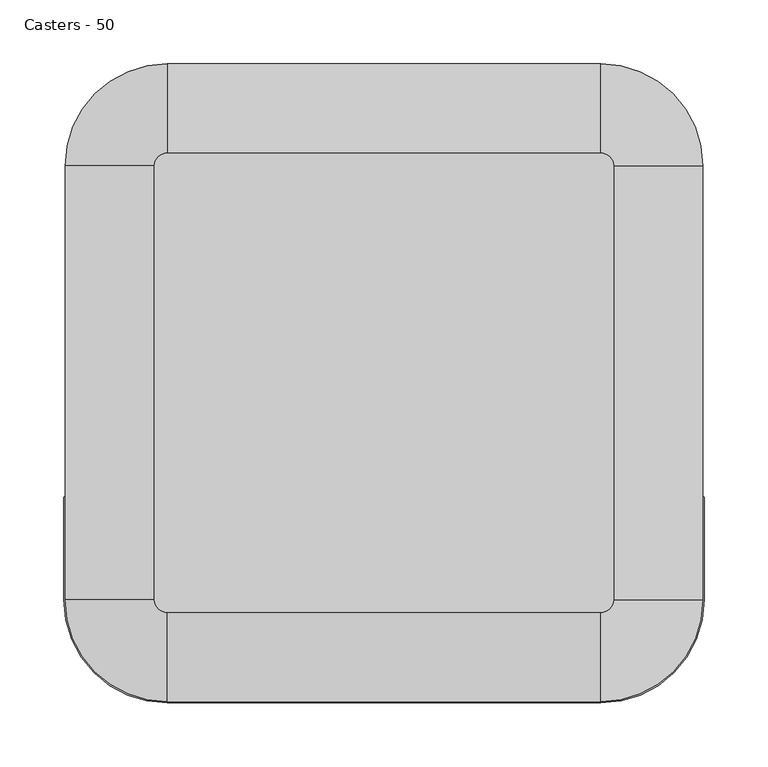
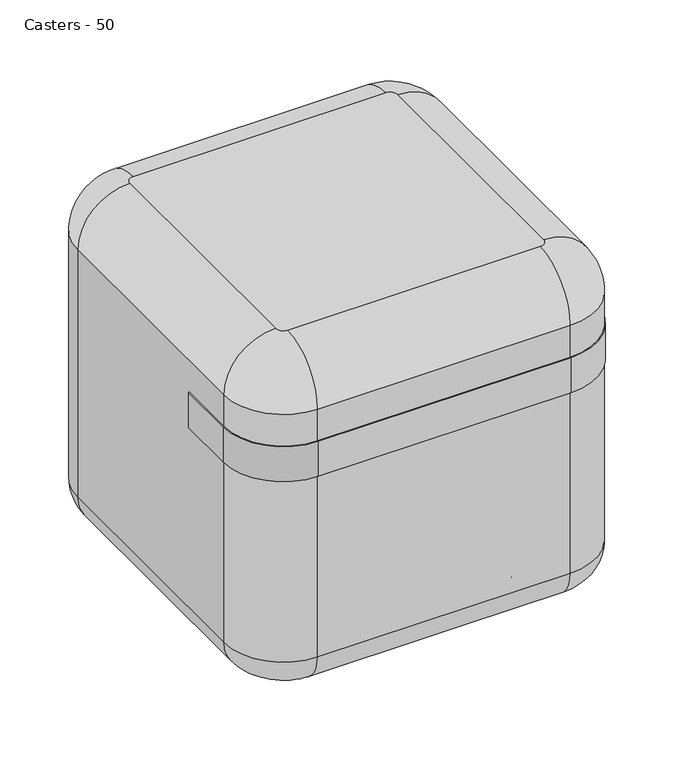
"""IFC4 building model written with IfcOpenShell, lengths in millimetres: furniture geometry, Casters - 50."""

from ifc_helpers import new_model, si_unit, point, frame, frame_2d, origin, place, context, project, spatial, polyline, circle_curve, ellipse_curve, trimmed, segment, composite_curve, outline, extrude, source, transform, mapped, element, save
from ifc_brep_helpers import plane_surface, cylinder_surface, revolved_surface, advanced_brep


def casters_50_8e6555ce(model_context):
    return source(origin(), model_context, "Body", "SolidModel", [
        extrude(outline(composite_curve([segment(trimmed(circle_curve(frame_2d((80.0, 80.0)), 80.0), [point((0.0, 80.0))], [point((80.0, 0.0))], True, "CARTESIAN"), True, "CONTINUOUS"), segment(polyline([(80.0, 0.0), (420.0, 0.0)]), True, "CONTINUOUS"), segment(trimmed(circle_curve(frame_2d((420.0, 80.0)), 80.0), [point((420.0, 0.0))], [point((500.0, 80.0))], True, "CARTESIAN"), True, "CONTINUOUS"), segment(polyline([(500.0, 80.0), (500.0, 160.0)]), True, "CONTINUOUS"), segment(trimmed(circle_curve(frame_2d((500.5, 160.0)), 0.5), [point((500.0, 160.0))], [point((501.0, 160.0))], False, "CARTESIAN"), True, "CONTINUOUS"), segment(polyline([(501.0, 160.0), (501.0, 80.0)]), True, "CONTINUOUS"), segment(trimmed(circle_curve(frame_2d((420.0, 80.0)), 81.0), [point((501.0, 80.0))], [point((420.0, -1.0))], False, "CARTESIAN"), True, "CONTINUOUS"), segment(polyline([(420.0, -1.0), (80.0, -1.0)]), True, "CONTINUOUS"), segment(trimmed(circle_curve(frame_2d((80.0, 80.0)), 81.0), [point((80.0, -1.0))], [point((-1.0, 80.0))], False, "CARTESIAN"), True, "CONTINUOUS"), segment(polyline([(-1.0, 80.0), (-1.0, 160.0)]), True, "CONTINUOUS"), segment(trimmed(circle_curve(frame_2d((-0.5, 160.0)), 0.5), [point((-1.0, 160.0))], [point((0.0, 160.0))], False, "CARTESIAN"), True, "CONTINUOUS"), segment(polyline([(0.0, 160.0), (0.0, 80.0)]), True, "CONTINUOUS")], self_intersect=False)), frame((0.0, 0.0, 325.0), z_axis=(0.0, 0.0, 1.0), x_axis=(1.0, 0.0, 0.0)), (0.0, 0.0, 1.0), 50.0),
        advanced_brep(
        [(119.5, 401.0, 18.0), (119.5, 390.0, 18.0), (118.5, 390.0, 18.0), (118.5, 406.0, 18.0), (105.5, 406.0, 18.0), (103.5, 404.0, 18.0), (103.5, 401.0, 18.0), (102.1466751, 396.0, 18.0), (102.1466751, 388.0, 18.0), (153.8533249, 388.0, 18.0), (153.8533249, 396.0, 18.0), (152.5, 401.0, 18.0), (152.5, 404.0, 18.0), (150.5, 406.0, 18.0), (137.5, 406.0, 18.0), (137.5, 390.0, 18.0), (136.5, 390.0, 18.0), (136.5, 401.0, 18.0), (119.5, 375.0, 18.0), (136.5, 375.0, 18.0), (136.5, 386.0, 18.0), (137.5, 386.0, 18.0), (137.5, 370.0, 18.0), (150.5, 370.0, 18.0), (152.5, 372.0, 18.0), (152.5, 375.0, 18.0), (153.8533249, 380.0, 18.0), (102.1466751, 380.0, 18.0), (103.5, 375.0, 18.0), (103.5, 372.0, 18.0), (105.5, 370.0, 18.0), (118.5, 370.0, 18.0), (118.5, 386.0, 18.0), (119.5, 386.0, 18.0)],
        [
            (0, 1),
            (1, 2),
            (2, 3),
            (3, 4),
            (4, 5, circle_curve(frame((105.5, 404.0, 18.0), z_axis=(0.0, 0.0, 1.0), x_axis=(-1.0, 0.0, 0.0)), 2.0)),
            (5, 6),
            (6, 7),
            (7, 8),
            (8, 9),
            (9, 10),
            (10, 11),
            (11, 12),
            (12, 13, circle_curve(frame((150.5, 404.0, 18.0), z_axis=(0.0, 0.0, 1.0), x_axis=(-1.0, 0.0, 0.0)), 2.0)),
            (13, 14),
            (14, 15),
            (15, 16),
            (16, 17),
            (17, 0),
            (18, 19),
            (19, 20),
            (20, 21),
            (21, 22),
            (22, 23),
            (23, 24, circle_curve(frame((150.5, 372.0, 18.0), z_axis=(0.0, 0.0, 1.0), x_axis=(-1.0, 0.0, 0.0)), 2.0)),
            (24, 25),
            (25, 26),
            (26, 9),
            (8, 27),
            (27, 28),
            (28, 29),
            (29, 30, circle_curve(frame((105.5, 372.0, 18.0), z_axis=(0.0, 0.0, 1.0), x_axis=(-1.0, 0.0, 0.0)), 2.0)),
            (30, 31),
            (31, 32),
            (32, 33),
            (33, 18),
            (33, 1, circle_curve(frame((119.5, 388.0, 18.0), z_axis=(1.0, 0.0, 0.0), x_axis=(0.0, 1.0, 0.0)), 2.0)),
            (0, 18, circle_curve(frame((119.5, 388.0, 18.0), z_axis=(-1.0, 0.0, 0.0), x_axis=(0.0, 1.0, 0.0)), 13.0)),
            (32, 2, circle_curve(frame((118.5, 388.0, 18.0), z_axis=(1.0, 0.0, 0.0), x_axis=(0.0, 1.0, 0.0)), 2.0)),
            (31, 3, circle_curve(frame((118.5, 388.0, 18.0), z_axis=(1.0, 0.0, 0.0), x_axis=(0.0, 1.0, 0.0)), 18.0)),
            (30, 4, circle_curve(frame((105.5, 388.0, 18.0), z_axis=(1.0, 0.0, 0.0), x_axis=(0.0, 1.0, 0.0)), 18.0)),
            (29, 5, circle_curve(frame((103.5, 388.0, 18.0), z_axis=(1.0, 0.0, 0.0), x_axis=(0.0, 1.0, 0.0)), 16.0)),
            (28, 6, circle_curve(frame((103.5, 388.0, 18.0), z_axis=(1.0, 0.0, 0.0), x_axis=(0.0, 1.0, 0.0)), 13.0)),
            (27, 7, circle_curve(frame((102.1466751, 388.0, 18.0), z_axis=(1.0, 0.0, 0.0), x_axis=(0.0, 1.0, 0.0)), 8.0)),
            (26, 10, circle_curve(frame((153.8533249, 388.0, 18.0), z_axis=(1.0, 0.0, 0.0), x_axis=(0.0, 1.0, 0.0)), 8.0)),
            (25, 11, circle_curve(frame((152.5, 388.0, 18.0), z_axis=(1.0, 0.0, 0.0), x_axis=(0.0, 1.0, 0.0)), 13.0)),
            (24, 12, circle_curve(frame((152.5, 388.0, 18.0), z_axis=(1.0, 0.0, 0.0), x_axis=(0.0, 1.0, 0.0)), 16.0)),
            (23, 13, circle_curve(frame((150.5, 388.0, 18.0), z_axis=(1.0, 0.0, 0.0), x_axis=(0.0, 1.0, 0.0)), 18.0)),
            (22, 14, circle_curve(frame((137.5, 388.0, 18.0), z_axis=(1.0, 0.0, 0.0), x_axis=(0.0, 1.0, 0.0)), 18.0)),
            (21, 15, circle_curve(frame((137.5, 388.0, 18.0), z_axis=(1.0, 0.0, 0.0), x_axis=(0.0, 1.0, 0.0)), 2.0)),
            (20, 16, circle_curve(frame((136.5, 388.0, 18.0), z_axis=(1.0, 0.0, 0.0), x_axis=(0.0, 1.0, 0.0)), 2.0)),
            (19, 17, circle_curve(frame((136.5, 388.0, 18.0), z_axis=(1.0, 0.0, 0.0), x_axis=(0.0, 1.0, 0.0)), 13.0)),
        ],
        [
            plane_surface(frame((102.1466751, 388.0, 18.0), z_axis=(0.0, 0.0, 1.0), x_axis=(0.0, 1.0, 0.0))),
            plane_surface(frame((102.1466751, 388.0, 18.0), z_axis=(0.0, 0.0, 1.0), x_axis=(0.0, -1.0, 0.0))),
            plane_surface(frame((119.5, 388.0, 18.0), z_axis=(-1.0, 0.0, 0.0), x_axis=(0.0, 1.0, 0.0))),
            cylinder_surface(frame((102.1466751, 388.0, 18.0), z_axis=(-1.0, 0.0, 0.0), x_axis=(0.0, 1.0, 0.0)), 2.0),
            plane_surface(frame((118.5, 388.0, 18.0), z_axis=(1.0, 0.0, 0.0), x_axis=(0.0, 1.0, 0.0))),
            cylinder_surface(frame((102.1466751, 388.0, 18.0), z_axis=(-1.0, 0.0, 0.0), x_axis=(0.0, 1.0, 0.0)), 18.0),
            revolved_surface(trimmed(ellipse_curve(frame((105.5, 404.0, 18.0), z_axis=(0.0, 0.0, 1.0), x_axis=(-1.0, 0.0, 0.0)), 2.0, 2.0), [point((105.5, 406.0, 18.0))], [point((103.5, 404.0, 18.0))], True, "CARTESIAN"), (102.1466751, 388.0, 18.0), (-1.0, 0.0, 0.0)),
            plane_surface(frame((103.5, 388.0, 18.0), z_axis=(-1.0, 0.0, 0.0), x_axis=(0.0, 1.0, 0.0))),
            revolved_surface(polyline([(103.5, 401.0, 18.0), (102.1466751, 396.0, 18.0)]), (102.1466751, 388.0, 18.0), (-1.0, 0.0, 0.0)),
            plane_surface(frame((102.1466751, 388.0, 18.0), z_axis=(-1.0, 0.0, 0.0), x_axis=(0.0, 1.0, 0.0))),
            plane_surface(frame((153.8533249, 388.0, 18.0), z_axis=(1.0, 0.0, 0.0), x_axis=(0.0, 1.0, 0.0))),
            revolved_surface(polyline([(153.8533249, 396.0, 18.0), (152.5, 401.0, 18.0)]), (102.1466751, 388.0, 18.0), (-1.0, 0.0, 0.0)),
            plane_surface(frame((152.5, 388.0, 18.0), z_axis=(1.0, 0.0, 0.0), x_axis=(0.0, 1.0, 0.0))),
            revolved_surface(trimmed(ellipse_curve(frame((150.5, 404.0, 18.0), z_axis=(0.0, 0.0, 1.0), x_axis=(-1.0, 0.0, 0.0)), 2.0, 2.0), [point((152.5, 404.0, 18.0))], [point((150.5, 406.0, 18.0))], True, "CARTESIAN"), (102.1466751, 388.0, 18.0), (-1.0, 0.0, 0.0)),
            plane_surface(frame((137.5, 388.0, 18.0), z_axis=(-1.0, 0.0, 0.0), x_axis=(0.0, 1.0, 0.0))),
            plane_surface(frame((136.5, 388.0, 18.0), z_axis=(1.0, 0.0, 0.0), x_axis=(0.0, 1.0, 0.0))),
            cylinder_surface(frame((102.1466751, 388.0, 18.0), z_axis=(-1.0, 0.0, 0.0), x_axis=(0.0, 1.0, 0.0)), 13.0),
        ],
        [
            (0, [[1, 2, 3, 4, 5, 6, 7, 8, 9, 10, 11, 12, 13, 14, 15, 16, 17, 18]]),
            (1, [[19, 20, 21, 22, 23, 24, 25, 26, 27, -9, 28, 29, 30, 31, 32, 33, 34, 35]]),
            (2, [[36, -1, 37, -35]]),
            (3, [[38, -2, -36, -34]]),
            (4, [[39, -3, -38, -33]]),
            (5, [[40, -4, -39, -32]]),
            (6, [[41, -5, -40, -31]]),
            (7, [[42, -6, -41, -30]]),
            (8, [[43, -7, -42, -29]]),
            (9, [[-8, -43, -28]]),
            (10, [[44, -10, -27]]),
            (11, [[45, -11, -44, -26]]),
            (12, [[46, -12, -45, -25]]),
            (13, [[47, -13, -46, -24]]),
            (5, [[48, -14, -47, -23]]),
            (14, [[49, -15, -48, -22]]),
            (3, [[50, -16, -49, -21]]),
            (15, [[51, -17, -50, -20]]),
            (16, [[-37, -18, -51, -19]]),
        ],
    ),
        advanced_brep(
        [(363.5, 401.0, 18.0), (363.5, 390.0, 18.0), (362.5, 390.0, 18.0), (362.5, 406.0, 18.0), (349.5, 406.0, 18.0), (347.5, 404.0, 18.0), (347.5, 401.0, 18.0), (346.1466751, 396.0, 18.0), (346.1466751, 388.0, 18.0), (397.8533249, 388.0, 18.0), (397.8533249, 396.0, 18.0), (396.5, 401.0, 18.0), (396.5, 404.0, 18.0), (394.5, 406.0, 18.0), (381.5, 406.0, 18.0), (381.5, 390.0, 18.0), (380.5, 390.0, 18.0), (380.5, 401.0, 18.0), (363.5, 375.0, 18.0), (380.5, 375.0, 18.0), (380.5, 386.0, 18.0), (381.5, 386.0, 18.0), (381.5, 370.0, 18.0), (394.5, 370.0, 18.0), (396.5, 372.0, 18.0), (396.5, 375.0, 18.0), (397.8533249, 380.0, 18.0), (346.1466751, 380.0, 18.0), (347.5, 375.0, 18.0), (347.5, 372.0, 18.0), (349.5, 370.0, 18.0), (362.5, 370.0, 18.0), (362.5, 386.0, 18.0), (363.5, 386.0, 18.0)],
        [
            (0, 1),
            (1, 2),
            (2, 3),
            (3, 4),
            (4, 5, circle_curve(frame((349.5, 404.0, 18.0), z_axis=(0.0, 0.0, 1.0), x_axis=(-1.0, 0.0, 0.0)), 2.0)),
            (5, 6),
            (6, 7),
            (7, 8),
            (8, 9),
            (9, 10),
            (10, 11),
            (11, 12),
            (12, 13, circle_curve(frame((394.5, 404.0, 18.0), z_axis=(0.0, 0.0, 1.0), x_axis=(-1.0, 0.0, 0.0)), 2.0)),
            (13, 14),
            (14, 15),
            (15, 16),
            (16, 17),
            (17, 0),
            (18, 19),
            (19, 20),
            (20, 21),
            (21, 22),
            (22, 23),
            (23, 24, circle_curve(frame((394.5, 372.0, 18.0), z_axis=(0.0, 0.0, 1.0), x_axis=(-1.0, 0.0, 0.0)), 2.0)),
            (24, 25),
            (25, 26),
            (26, 9),
            (8, 27),
            (27, 28),
            (28, 29),
            (29, 30, circle_curve(frame((349.5, 372.0, 18.0), z_axis=(0.0, 0.0, 1.0), x_axis=(-1.0, 0.0, 0.0)), 2.0)),
            (30, 31),
            (31, 32),
            (32, 33),
            (33, 18),
            (33, 1, circle_curve(frame((363.5, 388.0, 18.0), z_axis=(1.0, 0.0, 0.0), x_axis=(0.0, 1.0, 0.0)), 2.0)),
            (0, 18, circle_curve(frame((363.5, 388.0, 18.0), z_axis=(-1.0, 0.0, 0.0), x_axis=(0.0, 1.0, 0.0)), 13.0)),
            (32, 2, circle_curve(frame((362.5, 388.0, 18.0), z_axis=(1.0, 0.0, 0.0), x_axis=(0.0, 1.0, 0.0)), 2.0)),
            (31, 3, circle_curve(frame((362.5, 388.0, 18.0), z_axis=(1.0, 0.0, 0.0), x_axis=(0.0, 1.0, 0.0)), 18.0)),
            (30, 4, circle_curve(frame((349.5, 388.0, 18.0), z_axis=(1.0, 0.0, 0.0), x_axis=(0.0, 1.0, 0.0)), 18.0)),
            (29, 5, circle_curve(frame((347.5, 388.0, 18.0), z_axis=(1.0, 0.0, 0.0), x_axis=(0.0, 1.0, 0.0)), 16.0)),
            (28, 6, circle_curve(frame((347.5, 388.0, 18.0), z_axis=(1.0, 0.0, 0.0), x_axis=(0.0, 1.0, 0.0)), 13.0)),
            (27, 7, circle_curve(frame((346.1466751, 388.0, 18.0), z_axis=(1.0, 0.0, 0.0), x_axis=(0.0, 1.0, 0.0)), 8.0)),
            (26, 10, circle_curve(frame((397.8533249, 388.0, 18.0), z_axis=(1.0, 0.0, 0.0), x_axis=(0.0, 1.0, 0.0)), 8.0)),
            (25, 11, circle_curve(frame((396.5, 388.0, 18.0), z_axis=(1.0, 0.0, 0.0), x_axis=(0.0, 1.0, 0.0)), 13.0)),
            (24, 12, circle_curve(frame((396.5, 388.0, 18.0), z_axis=(1.0, 0.0, 0.0), x_axis=(0.0, 1.0, 0.0)), 16.0)),
            (23, 13, circle_curve(frame((394.5, 388.0, 18.0), z_axis=(1.0, 0.0, 0.0), x_axis=(0.0, 1.0, 0.0)), 18.0)),
            (22, 14, circle_curve(frame((381.5, 388.0, 18.0), z_axis=(1.0, 0.0, 0.0), x_axis=(0.0, 1.0, 0.0)), 18.0)),
            (21, 15, circle_curve(frame((381.5, 388.0, 18.0), z_axis=(1.0, 0.0, 0.0), x_axis=(0.0, 1.0, 0.0)), 2.0)),
            (20, 16, circle_curve(frame((380.5, 388.0, 18.0), z_axis=(1.0, 0.0, 0.0), x_axis=(0.0, 1.0, 0.0)), 2.0)),
            (19, 17, circle_curve(frame((380.5, 388.0, 18.0), z_axis=(1.0, 0.0, 0.0), x_axis=(0.0, 1.0, 0.0)), 13.0)),
        ],
        [
            plane_surface(frame((102.1466751, 388.0, 18.0), z_axis=(0.0, 0.0, 1.0), x_axis=(0.0, 1.0, 0.0))),
            plane_surface(frame((102.1466751, 388.0, 18.0), z_axis=(0.0, 0.0, 1.0), x_axis=(0.0, -1.0, 0.0))),
            plane_surface(frame((363.5, 388.0, 18.0), z_axis=(-1.0, 0.0, 0.0), x_axis=(0.0, 1.0, 0.0))),
            cylinder_surface(frame((102.1466751, 388.0, 18.0), z_axis=(-1.0, 0.0, 0.0), x_axis=(0.0, 1.0, 0.0)), 2.0),
            plane_surface(frame((362.5, 388.0, 18.0), z_axis=(1.0, 0.0, 0.0), x_axis=(0.0, 1.0, 0.0))),
            cylinder_surface(frame((102.1466751, 388.0, 18.0), z_axis=(-1.0, 0.0, 0.0), x_axis=(0.0, 1.0, 0.0)), 18.0),
            revolved_surface(trimmed(ellipse_curve(frame((349.5, 404.0, 18.0), z_axis=(0.0, 0.0, 1.0), x_axis=(-1.0, 0.0, 0.0)), 2.0, 2.0), [point((349.5, 406.0, 18.0))], [point((347.5, 404.0, 18.0))], True, "CARTESIAN"), (102.1466751, 388.0, 18.0), (-1.0, 0.0, 0.0)),
            plane_surface(frame((347.5, 388.0, 18.0), z_axis=(-1.0, 0.0, 0.0), x_axis=(0.0, 1.0, 0.0))),
            revolved_surface(polyline([(347.5, 401.0, 18.0), (346.1466751, 396.0, 18.0)]), (102.1466751, 388.0, 18.0), (-1.0, 0.0, 0.0)),
            plane_surface(frame((346.1466751, 388.0, 18.0), z_axis=(-1.0, 0.0, 0.0), x_axis=(0.0, 1.0, 0.0))),
            plane_surface(frame((397.8533249, 388.0, 18.0), z_axis=(1.0, 0.0, 0.0), x_axis=(0.0, 1.0, 0.0))),
            revolved_surface(polyline([(397.8533249, 396.0, 18.0), (396.5, 401.0, 18.0)]), (102.1466751, 388.0, 18.0), (-1.0, 0.0, 0.0)),
            plane_surface(frame((396.5, 388.0, 18.0), z_axis=(1.0, 0.0, 0.0), x_axis=(0.0, 1.0, 0.0))),
            revolved_surface(trimmed(ellipse_curve(frame((394.5, 404.0, 18.0), z_axis=(0.0, 0.0, 1.0), x_axis=(-1.0, 0.0, 0.0)), 2.0, 2.0), [point((396.5, 404.0, 18.0))], [point((394.5, 406.0, 18.0))], True, "CARTESIAN"), (102.1466751, 388.0, 18.0), (-1.0, 0.0, 0.0)),
            plane_surface(frame((381.5, 388.0, 18.0), z_axis=(-1.0, 0.0, 0.0), x_axis=(0.0, 1.0, 0.0))),
            plane_surface(frame((380.5, 388.0, 18.0), z_axis=(1.0, 0.0, 0.0), x_axis=(0.0, 1.0, 0.0))),
            cylinder_surface(frame((102.1466751, 388.0, 18.0), z_axis=(-1.0, 0.0, 0.0), x_axis=(0.0, 1.0, 0.0)), 13.0),
        ],
        [
            (0, [[1, 2, 3, 4, 5, 6, 7, 8, 9, 10, 11, 12, 13, 14, 15, 16, 17, 18]]),
            (1, [[19, 20, 21, 22, 23, 24, 25, 26, 27, -9, 28, 29, 30, 31, 32, 33, 34, 35]]),
            (2, [[36, -1, 37, -35]]),
            (3, [[38, -2, -36, -34]]),
            (4, [[39, -3, -38, -33]]),
            (5, [[40, -4, -39, -32]]),
            (6, [[41, -5, -40, -31]]),
            (7, [[42, -6, -41, -30]]),
            (8, [[43, -7, -42, -29]]),
            (9, [[-8, -43, -28]]),
            (10, [[44, -10, -27]]),
            (11, [[45, -11, -44, -26]]),
            (12, [[46, -12, -45, -25]]),
            (13, [[47, -13, -46, -24]]),
            (5, [[48, -14, -47, -23]]),
            (14, [[49, -15, -48, -22]]),
            (3, [[50, -16, -49, -21]]),
            (15, [[51, -17, -50, -20]]),
            (16, [[-37, -18, -51, -19]]),
        ],
    ),
        advanced_brep(
        [(119.5, 99.0, 18.0), (136.5, 99.0, 18.0), (136.5, 110.0, 18.0), (137.5, 110.0, 18.0), (137.5, 94.0, 18.0), (150.5, 94.0, 18.0), (152.5, 96.0, 18.0), (152.5, 99.0, 18.0), (153.8533249, 104.0, 18.0), (153.8533249, 112.0, 18.0), (102.1466751, 112.0, 18.0), (102.1466751, 104.0, 18.0), (103.5, 99.0, 18.0), (103.5, 96.0, 18.0), (105.5, 94.0, 18.0), (118.5, 94.0, 18.0), (118.5, 110.0, 18.0), (119.5, 110.0, 18.0), (119.5, 125.0, 18.0), (119.5, 114.0, 18.0), (118.5, 114.0, 18.0), (118.5, 130.0, 18.0), (105.5, 130.0, 18.0), (103.5, 128.0, 18.0), (103.5, 125.0, 18.0), (102.1466751, 120.0, 18.0), (153.8533249, 120.0, 18.0), (152.5, 125.0, 18.0), (152.5, 128.0, 18.0), (150.5, 130.0, 18.0), (137.5, 130.0, 18.0), (137.5, 114.0, 18.0), (136.5, 114.0, 18.0), (136.5, 125.0, 18.0)],
        [
            (0, 1),
            (1, 2),
            (2, 3),
            (3, 4),
            (4, 5),
            (5, 6, circle_curve(frame((150.5, 96.0, 18.0), z_axis=(0.0, 0.0, 1.0), x_axis=(-1.0, 0.0, 0.0)), 2.0)),
            (6, 7),
            (7, 8),
            (8, 9),
            (9, 10),
            (10, 11),
            (11, 12),
            (12, 13),
            (13, 14, circle_curve(frame((105.5, 96.0, 18.0), z_axis=(0.0, 0.0, 1.0), x_axis=(-1.0, 0.0, 0.0)), 2.0)),
            (14, 15),
            (15, 16),
            (16, 17),
            (17, 0),
            (18, 19),
            (19, 20),
            (20, 21),
            (21, 22),
            (22, 23, circle_curve(frame((105.5, 128.0, 18.0), z_axis=(0.0, 0.0, 1.0), x_axis=(-1.0, 0.0, 0.0)), 2.0)),
            (23, 24),
            (24, 25),
            (25, 10),
            (9, 26),
            (26, 27),
            (27, 28),
            (28, 29, circle_curve(frame((150.5, 128.0, 18.0), z_axis=(0.0, 0.0, 1.0), x_axis=(-1.0, 0.0, 0.0)), 2.0)),
            (29, 30),
            (30, 31),
            (31, 32),
            (32, 33),
            (33, 18),
            (18, 0, circle_curve(frame((119.5, 112.0, 18.0), z_axis=(-1.0, 0.0, 0.0), x_axis=(0.0, -1.0, 0.0)), 13.0)),
            (17, 19, circle_curve(frame((119.5, 112.0, 18.0), z_axis=(1.0, 0.0, 0.0), x_axis=(0.0, -1.0, 0.0)), 2.0)),
            (16, 20, circle_curve(frame((118.5, 112.0, 18.0), z_axis=(1.0, 0.0, 0.0), x_axis=(0.0, -1.0, 0.0)), 2.0)),
            (15, 21, circle_curve(frame((118.5, 112.0, 18.0), z_axis=(1.0, 0.0, 0.0), x_axis=(0.0, -1.0, 0.0)), 18.0)),
            (14, 22, circle_curve(frame((105.5, 112.0, 18.0), z_axis=(1.0, 0.0, 0.0), x_axis=(0.0, -1.0, 0.0)), 18.0)),
            (13, 23, circle_curve(frame((103.5, 112.0, 18.0), z_axis=(1.0, 0.0, 0.0), x_axis=(0.0, -1.0, 0.0)), 16.0)),
            (12, 24, circle_curve(frame((103.5, 112.0, 18.0), z_axis=(1.0, 0.0, 0.0), x_axis=(0.0, -1.0, 0.0)), 13.0)),
            (11, 25, circle_curve(frame((102.1466751, 112.0, 18.0), z_axis=(1.0, 0.0, 0.0), x_axis=(0.0, -1.0, 0.0)), 8.0)),
            (8, 26, circle_curve(frame((153.8533249, 112.0, 18.0), z_axis=(1.0, 0.0, 0.0), x_axis=(0.0, -1.0, 0.0)), 8.0)),
            (7, 27, circle_curve(frame((152.5, 112.0, 18.0), z_axis=(1.0, 0.0, 0.0), x_axis=(0.0, -1.0, 0.0)), 13.0)),
            (6, 28, circle_curve(frame((152.5, 112.0, 18.0), z_axis=(1.0, 0.0, 0.0), x_axis=(0.0, -1.0, 0.0)), 16.0)),
            (5, 29, circle_curve(frame((150.5, 112.0, 18.0), z_axis=(1.0, 0.0, 0.0), x_axis=(0.0, -1.0, 0.0)), 18.0)),
            (4, 30, circle_curve(frame((137.5, 112.0, 18.0), z_axis=(1.0, 0.0, 0.0), x_axis=(0.0, -1.0, 0.0)), 18.0)),
            (3, 31, circle_curve(frame((137.5, 112.0, 18.0), z_axis=(1.0, 0.0, 0.0), x_axis=(0.0, -1.0, 0.0)), 2.0)),
            (2, 32, circle_curve(frame((136.5, 112.0, 18.0), z_axis=(1.0, 0.0, 0.0), x_axis=(0.0, -1.0, 0.0)), 2.0)),
            (1, 33, circle_curve(frame((136.5, 112.0, 18.0), z_axis=(1.0, 0.0, 0.0), x_axis=(0.0, -1.0, 0.0)), 13.0)),
        ],
        [
            plane_surface(frame((102.1466751, 112.0, 18.0), z_axis=(0.0, 0.0, 1.0), x_axis=(0.0, -1.0, 0.0))),
            plane_surface(frame((102.1466751, 112.0, 18.0), z_axis=(0.0, 0.0, 1.0), x_axis=(0.0, 1.0, 0.0))),
            plane_surface(frame((119.5, 112.0, 18.0), z_axis=(-1.0, 0.0, 0.0), x_axis=(0.0, -1.0, 0.0))),
            cylinder_surface(frame((102.1466751, 112.0, 18.0), z_axis=(1.0, 0.0, 0.0), x_axis=(0.0, -1.0, 0.0)), 2.0),
            plane_surface(frame((118.5, 112.0, 18.0), z_axis=(1.0, 0.0, 0.0), x_axis=(0.0, -1.0, 0.0))),
            cylinder_surface(frame((102.1466751, 112.0, 18.0), z_axis=(1.0, 0.0, 0.0), x_axis=(0.0, -1.0, 0.0)), 18.0),
            revolved_surface(trimmed(ellipse_curve(frame((105.5, 96.0, 18.0), z_axis=(0.0, 0.0, 1.0), x_axis=(-1.0, 0.0, 0.0)), 2.0, 2.0), [point((103.5, 96.0, 18.0))], [point((105.5, 94.0, 18.0))], True, "CARTESIAN"), (102.1466751, 112.0, 18.0), (1.0, 0.0, 0.0)),
            plane_surface(frame((103.5, 112.0, 18.0), z_axis=(-1.0, 0.0, 0.0), x_axis=(0.0, -1.0, 0.0))),
            revolved_surface(polyline([(102.1466751, 104.0, 18.0), (103.5, 99.0, 18.0)]), (102.1466751, 112.0, 18.0), (1.0, 0.0, 0.0)),
            plane_surface(frame((102.1466751, 112.0, 18.0), z_axis=(-1.0, 0.0, 0.0), x_axis=(0.0, -1.0, 0.0))),
            plane_surface(frame((153.8533249, 112.0, 18.0), z_axis=(1.0, 0.0, 0.0), x_axis=(0.0, -1.0, 0.0))),
            revolved_surface(polyline([(152.5, 99.0, 18.0), (153.8533249, 104.0, 18.0)]), (102.1466751, 112.0, 18.0), (1.0, 0.0, 0.0)),
            plane_surface(frame((152.5, 112.0, 18.0), z_axis=(1.0, 0.0, 0.0), x_axis=(0.0, -1.0, 0.0))),
            revolved_surface(trimmed(ellipse_curve(frame((150.5, 96.0, 18.0), z_axis=(0.0, 0.0, 1.0), x_axis=(-1.0, 0.0, 0.0)), 2.0, 2.0), [point((150.5, 94.0, 18.0))], [point((152.5, 96.0, 18.0))], True, "CARTESIAN"), (102.1466751, 112.0, 18.0), (1.0, 0.0, 0.0)),
            plane_surface(frame((137.5, 112.0, 18.0), z_axis=(-1.0, 0.0, 0.0), x_axis=(0.0, -1.0, 0.0))),
            plane_surface(frame((136.5, 112.0, 18.0), z_axis=(1.0, 0.0, 0.0), x_axis=(0.0, -1.0, 0.0))),
            cylinder_surface(frame((102.1466751, 112.0, 18.0), z_axis=(1.0, 0.0, 0.0), x_axis=(0.0, -1.0, 0.0)), 13.0),
        ],
        [
            (0, [[1, 2, 3, 4, 5, 6, 7, 8, 9, 10, 11, 12, 13, 14, 15, 16, 17, 18]]),
            (1, [[19, 20, 21, 22, 23, 24, 25, 26, -10, 27, 28, 29, 30, 31, 32, 33, 34, 35]]),
            (2, [[36, -18, 37, -19]]),
            (3, [[-37, -17, 38, -20]]),
            (4, [[-38, -16, 39, -21]]),
            (5, [[-39, -15, 40, -22]]),
            (6, [[-40, -14, 41, -23]]),
            (7, [[-41, -13, 42, -24]]),
            (8, [[-42, -12, 43, -25]]),
            (9, [[-43, -11, -26]]),
            (10, [[-9, 44, -27]]),
            (11, [[-44, -8, 45, -28]]),
            (12, [[-45, -7, 46, -29]]),
            (13, [[-46, -6, 47, -30]]),
            (5, [[-47, -5, 48, -31]]),
            (14, [[-48, -4, 49, -32]]),
            (3, [[-49, -3, 50, -33]]),
            (15, [[-50, -2, 51, -34]]),
            (16, [[-51, -1, -36, -35]]),
        ],
    ),
        advanced_brep(
        [(363.5, 99.0, 18.0), (380.5, 99.0, 18.0), (380.5, 110.0, 18.0), (381.5, 110.0, 18.0), (381.5, 94.0, 18.0), (394.5, 94.0, 18.0), (396.5, 96.0, 18.0), (396.5, 99.0, 18.0), (397.8533249, 104.0, 18.0), (397.8533249, 112.0, 18.0), (346.1466751, 112.0, 18.0), (346.1466751, 104.0, 18.0), (347.5, 99.0, 18.0), (347.5, 96.0, 18.0), (349.5, 94.0, 18.0), (362.5, 94.0, 18.0), (362.5, 110.0, 18.0), (363.5, 110.0, 18.0), (363.5, 125.0, 18.0), (363.5, 114.0, 18.0), (362.5, 114.0, 18.0), (362.5, 130.0, 18.0), (349.5, 130.0, 18.0), (347.5, 128.0, 18.0), (347.5, 125.0, 18.0), (346.1466751, 120.0, 18.0), (397.8533249, 120.0, 18.0), (396.5, 125.0, 18.0), (396.5, 128.0, 18.0), (394.5, 130.0, 18.0), (381.5, 130.0, 18.0), (381.5, 114.0, 18.0), (380.5, 114.0, 18.0), (380.5, 125.0, 18.0)],
        [
            (0, 1),
            (1, 2),
            (2, 3),
            (3, 4),
            (4, 5),
            (5, 6, circle_curve(frame((394.5, 96.0, 18.0), z_axis=(0.0, 0.0, 1.0), x_axis=(-1.0, 0.0, 0.0)), 2.0)),
            (6, 7),
            (7, 8),
            (8, 9),
            (9, 10),
            (10, 11),
            (11, 12),
            (12, 13),
            (13, 14, circle_curve(frame((349.5, 96.0, 18.0), z_axis=(0.0, 0.0, 1.0), x_axis=(-1.0, 0.0, 0.0)), 2.0)),
            (14, 15),
            (15, 16),
            (16, 17),
            (17, 0),
            (18, 19),
            (19, 20),
            (20, 21),
            (21, 22),
            (22, 23, circle_curve(frame((349.5, 128.0, 18.0), z_axis=(0.0, 0.0, 1.0), x_axis=(-1.0, 0.0, 0.0)), 2.0)),
            (23, 24),
            (24, 25),
            (25, 10),
            (9, 26),
            (26, 27),
            (27, 28),
            (28, 29, circle_curve(frame((394.5, 128.0, 18.0), z_axis=(0.0, 0.0, 1.0), x_axis=(-1.0, 0.0, 0.0)), 2.0)),
            (29, 30),
            (30, 31),
            (31, 32),
            (32, 33),
            (33, 18),
            (18, 0, circle_curve(frame((363.5, 112.0, 18.0), z_axis=(-1.0, 0.0, 0.0), x_axis=(0.0, -1.0, 0.0)), 13.0)),
            (17, 19, circle_curve(frame((363.5, 112.0, 18.0), z_axis=(1.0, 0.0, 0.0), x_axis=(0.0, -1.0, 0.0)), 2.0)),
            (16, 20, circle_curve(frame((362.5, 112.0, 18.0), z_axis=(1.0, 0.0, 0.0), x_axis=(0.0, -1.0, 0.0)), 2.0)),
            (15, 21, circle_curve(frame((362.5, 112.0, 18.0), z_axis=(1.0, 0.0, 0.0), x_axis=(0.0, -1.0, 0.0)), 18.0)),
            (14, 22, circle_curve(frame((349.5, 112.0, 18.0), z_axis=(1.0, 0.0, 0.0), x_axis=(0.0, -1.0, 0.0)), 18.0)),
            (13, 23, circle_curve(frame((347.5, 112.0, 18.0), z_axis=(1.0, 0.0, 0.0), x_axis=(0.0, -1.0, 0.0)), 16.0)),
            (12, 24, circle_curve(frame((347.5, 112.0, 18.0), z_axis=(1.0, 0.0, 0.0), x_axis=(0.0, -1.0, 0.0)), 13.0)),
            (11, 25, circle_curve(frame((346.1466751, 112.0, 18.0), z_axis=(1.0, 0.0, 0.0), x_axis=(0.0, -1.0, 0.0)), 8.0)),
            (8, 26, circle_curve(frame((397.8533249, 112.0, 18.0), z_axis=(1.0, 0.0, 0.0), x_axis=(0.0, -1.0, 0.0)), 8.0)),
            (7, 27, circle_curve(frame((396.5, 112.0, 18.0), z_axis=(1.0, 0.0, 0.0), x_axis=(0.0, -1.0, 0.0)), 13.0)),
            (6, 28, circle_curve(frame((396.5, 112.0, 18.0), z_axis=(1.0, 0.0, 0.0), x_axis=(0.0, -1.0, 0.0)), 16.0)),
            (5, 29, circle_curve(frame((394.5, 112.0, 18.0), z_axis=(1.0, 0.0, 0.0), x_axis=(0.0, -1.0, 0.0)), 18.0)),
            (4, 30, circle_curve(frame((381.5, 112.0, 18.0), z_axis=(1.0, 0.0, 0.0), x_axis=(0.0, -1.0, 0.0)), 18.0)),
            (3, 31, circle_curve(frame((381.5, 112.0, 18.0), z_axis=(1.0, 0.0, 0.0), x_axis=(0.0, -1.0, 0.0)), 2.0)),
            (2, 32, circle_curve(frame((380.5, 112.0, 18.0), z_axis=(1.0, 0.0, 0.0), x_axis=(0.0, -1.0, 0.0)), 2.0)),
            (1, 33, circle_curve(frame((380.5, 112.0, 18.0), z_axis=(1.0, 0.0, 0.0), x_axis=(0.0, -1.0, 0.0)), 13.0)),
        ],
        [
            plane_surface(frame((102.1466751, 112.0, 18.0), z_axis=(0.0, 0.0, 1.0), x_axis=(0.0, -1.0, 0.0))),
            plane_surface(frame((102.1466751, 112.0, 18.0), z_axis=(0.0, 0.0, 1.0), x_axis=(0.0, 1.0, 0.0))),
            plane_surface(frame((363.5, 112.0, 18.0), z_axis=(-1.0, 0.0, 0.0), x_axis=(0.0, -1.0, 0.0))),
            cylinder_surface(frame((102.1466751, 112.0, 18.0), z_axis=(1.0, 0.0, 0.0), x_axis=(0.0, -1.0, 0.0)), 2.0),
            plane_surface(frame((362.5, 112.0, 18.0), z_axis=(1.0, 0.0, 0.0), x_axis=(0.0, -1.0, 0.0))),
            cylinder_surface(frame((102.1466751, 112.0, 18.0), z_axis=(1.0, 0.0, 0.0), x_axis=(0.0, -1.0, 0.0)), 18.0),
            revolved_surface(trimmed(ellipse_curve(frame((349.5, 96.0, 18.0), z_axis=(0.0, 0.0, 1.0), x_axis=(-1.0, 0.0, 0.0)), 2.0, 2.0), [point((347.5, 96.0, 18.0))], [point((349.5, 94.0, 18.0))], True, "CARTESIAN"), (102.1466751, 112.0, 18.0), (1.0, 0.0, 0.0)),
            plane_surface(frame((347.5, 112.0, 18.0), z_axis=(-1.0, 0.0, 0.0), x_axis=(0.0, -1.0, 0.0))),
            revolved_surface(polyline([(346.1466751, 104.0, 18.0), (347.5, 99.0, 18.0)]), (102.1466751, 112.0, 18.0), (1.0, 0.0, 0.0)),
            plane_surface(frame((346.1466751, 112.0, 18.0), z_axis=(-1.0, 0.0, 0.0), x_axis=(0.0, -1.0, 0.0))),
            plane_surface(frame((397.8533249, 112.0, 18.0), z_axis=(1.0, 0.0, 0.0), x_axis=(0.0, -1.0, 0.0))),
            revolved_surface(polyline([(396.5, 99.0, 18.0), (397.8533249, 104.0, 18.0)]), (102.1466751, 112.0, 18.0), (1.0, 0.0, 0.0)),
            plane_surface(frame((396.5, 112.0, 18.0), z_axis=(1.0, 0.0, 0.0), x_axis=(0.0, -1.0, 0.0))),
            revolved_surface(trimmed(ellipse_curve(frame((394.5, 96.0, 18.0), z_axis=(0.0, 0.0, 1.0), x_axis=(-1.0, 0.0, 0.0)), 2.0, 2.0), [point((394.5, 94.0, 18.0))], [point((396.5, 96.0, 18.0))], True, "CARTESIAN"), (102.1466751, 112.0, 18.0), (1.0, 0.0, 0.0)),
            plane_surface(frame((381.5, 112.0, 18.0), z_axis=(-1.0, 0.0, 0.0), x_axis=(0.0, -1.0, 0.0))),
            plane_surface(frame((380.5, 112.0, 18.0), z_axis=(1.0, 0.0, 0.0), x_axis=(0.0, -1.0, 0.0))),
            cylinder_surface(frame((102.1466751, 112.0, 18.0), z_axis=(1.0, 0.0, 0.0), x_axis=(0.0, -1.0, 0.0)), 13.0),
        ],
        [
            (0, [[1, 2, 3, 4, 5, 6, 7, 8, 9, 10, 11, 12, 13, 14, 15, 16, 17, 18]]),
            (1, [[19, 20, 21, 22, 23, 24, 25, 26, -10, 27, 28, 29, 30, 31, 32, 33, 34, 35]]),
            (2, [[36, -18, 37, -19]]),
            (3, [[-37, -17, 38, -20]]),
            (4, [[-38, -16, 39, -21]]),
            (5, [[-39, -15, 40, -22]]),
            (6, [[-40, -14, 41, -23]]),
            (7, [[-41, -13, 42, -24]]),
            (8, [[-42, -12, 43, -25]]),
            (9, [[-43, -11, -26]]),
            (10, [[-9, 44, -27]]),
            (11, [[-44, -8, 45, -28]]),
            (12, [[-45, -7, 46, -29]]),
            (13, [[-46, -6, 47, -30]]),
            (5, [[-47, -5, 48, -31]]),
            (14, [[-48, -4, 49, -32]]),
            (3, [[-49, -3, 50, -33]]),
            (15, [[-50, -2, 51, -34]]),
            (16, [[-51, -1, -36, -35]]),
        ],
    ),
        advanced_brep(
        [(430.0, 420.0, 490.0), (420.0, 430.0, 490.0), (80.0, 430.0, 490.0), (70.0, 420.0, 490.0), (70.0, 80.0, 490.0), (80.0, 70.0, 490.0), (420.0, 70.0, 490.0), (430.0, 80.0, 490.0), (420.0, 450.0, 18.0), (450.0, 420.0, 18.0), (450.0, 80.0, 18.0), (420.0, 50.0, 18.0), (80.0, 50.0, 18.0), (50.0, 80.0, 18.0), (50.0, 420.0, 18.0), (80.0, 450.0, 18.0), (500.0, 420.0, 420.0), (420.0, 500.0, 420.0), (500.0, 420.0, 68.0), (420.0, 500.0, 68.0), (500.0, 80.0, 420.0), (500.0, 80.0, 68.0), (420.0, 0.0, 420.0), (420.0, 0.0, 68.0), (80.0, 0.0, 420.0), (80.0, 0.0, 68.0), (0.0, 80.0, 420.0), (0.0, 80.0, 68.0), (0.0, 420.0, 420.0), (0.0, 420.0, 68.0), (80.0, 500.0, 420.0), (80.0, 500.0, 68.0)],
        [
            (0, 1, circle_curve(frame((420.0, 420.0, 490.0), z_axis=(0.0, 0.0, 1.0), x_axis=(0.0, 1.0, 0.0)), 10.0)),
            (1, 2),
            (2, 3, circle_curve(frame((80.0, 420.0, 490.0), z_axis=(0.0, 0.0, 1.0), x_axis=(-1.0, 0.0, 0.0)), 10.0)),
            (3, 4),
            (4, 5, circle_curve(frame((80.0, 80.0, 490.0), z_axis=(0.0, 0.0, 1.0), x_axis=(0.0, -1.0, 0.0)), 10.0)),
            (5, 6),
            (6, 7, circle_curve(frame((420.0, 80.0, 490.0), z_axis=(0.0, 0.0, 1.0), x_axis=(1.0, 0.0, 0.0)), 10.0)),
            (7, 0),
            (8, 9, circle_curve(frame((420.0, 420.0, 18.0), z_axis=(0.0, 0.0, -1.0), x_axis=(0.0, 1.0, 0.0)), 30.0)),
            (9, 10),
            (10, 11, circle_curve(frame((420.0, 80.0, 18.0), z_axis=(0.0, 0.0, -1.0), x_axis=(1.0, 0.0, 0.0)), 30.0)),
            (11, 12),
            (12, 13, circle_curve(frame((80.0, 80.0, 18.0), z_axis=(0.0, 0.0, -1.0), x_axis=(0.0, -1.0, 0.0)), 30.0)),
            (13, 14),
            (14, 15, circle_curve(frame((80.0, 420.0, 18.0), z_axis=(0.0, 0.0, -1.0), x_axis=(-1.0, 0.0, 0.0)), 30.0)),
            (15, 8),
            (16, 17, circle_curve(frame((420.0, 420.0, 420.0), z_axis=(0.0, 0.0, 1.0), x_axis=(0.0, 1.0, 0.0)), 80.0)),
            (17, 1, circle_curve(frame((420.0, 430.0, 420.0), z_axis=(1.0, 0.0, 0.0), x_axis=(0.0, 1.0, 0.0)), 70.0)),
            (0, 16, circle_curve(frame((430.0, 420.0, 420.0), z_axis=(0.0, 1.0, 0.0), x_axis=(1.0, 0.0, 0.0)), 70.0)),
            (16, 18),
            (18, 19, circle_curve(frame((420.0, 420.0, 68.0), z_axis=(0.0, 0.0, 1.0), x_axis=(0.0, 1.0, 0.0)), 80.0)),
            (19, 17),
            (18, 9, circle_curve(frame((450.0, 420.0, 68.0), z_axis=(0.0, 1.0, 0.0), x_axis=(1.0, 0.0, 0.0)), 50.0)),
            (8, 19, circle_curve(frame((420.0, 450.0, 68.0), z_axis=(1.0, 0.0, 0.0), x_axis=(0.0, 1.0, 0.0)), 50.0)),
            (7, 20, circle_curve(frame((430.0, 80.0, 420.0), z_axis=(0.0, 1.0, 0.0), x_axis=(1.0, 0.0, 0.0)), 70.0)),
            (20, 16),
            (20, 21),
            (21, 18),
            (21, 10, circle_curve(frame((450.0, 80.0, 68.0), z_axis=(0.0, 1.0, 0.0), x_axis=(1.0, 0.0, 0.0)), 50.0)),
            (6, 22, circle_curve(frame((420.0, 70.0, 420.0), z_axis=(1.0, 0.0, 0.0), x_axis=(0.0, -1.0, 0.0)), 70.0)),
            (22, 20, circle_curve(frame((420.0, 80.0, 420.0), z_axis=(0.0, 0.0, 1.0), x_axis=(1.0, 0.0, 0.0)), 80.0)),
            (22, 23),
            (23, 21, circle_curve(frame((420.0, 80.0, 68.0), z_axis=(0.0, 0.0, 1.0), x_axis=(1.0, 0.0, 0.0)), 80.0)),
            (23, 11, circle_curve(frame((420.0, 50.0, 68.0), z_axis=(1.0, 0.0, 0.0), x_axis=(0.0, -1.0, 0.0)), 50.0)),
            (5, 24, circle_curve(frame((80.0, 70.0, 420.0), z_axis=(1.0, 0.0, 0.0), x_axis=(0.0, -1.0, 0.0)), 70.0)),
            (24, 22),
            (24, 25),
            (25, 23),
            (25, 12, circle_curve(frame((80.0, 50.0, 68.0), z_axis=(1.0, 0.0, 0.0), x_axis=(0.0, -1.0, 0.0)), 50.0)),
            (4, 26, circle_curve(frame((70.0, 80.0, 420.0), z_axis=(0.0, -1.0, 0.0), x_axis=(-1.0, 0.0, 0.0)), 70.0)),
            (26, 24, circle_curve(frame((80.0, 80.0, 420.0), z_axis=(0.0, 0.0, 1.0), x_axis=(0.0, -1.0, 0.0)), 80.0)),
            (26, 27),
            (27, 25, circle_curve(frame((80.0, 80.0, 68.0), z_axis=(0.0, 0.0, 1.0), x_axis=(0.0, -1.0, 0.0)), 80.0)),
            (27, 13, circle_curve(frame((50.0, 80.0, 68.0), z_axis=(0.0, -1.0, 0.0), x_axis=(-1.0, 0.0, 0.0)), 50.0)),
            (3, 28, circle_curve(frame((70.0, 420.0, 420.0), z_axis=(0.0, -1.0, 0.0), x_axis=(-1.0, 0.0, 0.0)), 70.0)),
            (28, 26),
            (28, 29),
            (29, 27),
            (29, 14, circle_curve(frame((50.0, 420.0, 68.0), z_axis=(0.0, -1.0, 0.0), x_axis=(-1.0, 0.0, 0.0)), 50.0)),
            (2, 30, circle_curve(frame((80.0, 430.0, 420.0), z_axis=(-1.0, 0.0, 0.0), x_axis=(0.0, 1.0, 0.0)), 70.0)),
            (30, 28, circle_curve(frame((80.0, 420.0, 420.0), z_axis=(0.0, 0.0, 1.0), x_axis=(-1.0, 0.0, 0.0)), 80.0)),
            (30, 31),
            (31, 29, circle_curve(frame((80.0, 420.0, 68.0), z_axis=(0.0, 0.0, 1.0), x_axis=(-1.0, 0.0, 0.0)), 80.0)),
            (31, 15, circle_curve(frame((80.0, 450.0, 68.0), z_axis=(-1.0, 0.0, 0.0), x_axis=(0.0, 1.0, 0.0)), 50.0)),
            (17, 30),
            (19, 31),
        ],
        [
            plane_surface(frame((80.0, 423.0, 490.0), z_axis=(0.0, 0.0, 1.0), x_axis=(-1.0, 0.0, 0.0))),
            plane_surface(frame((80.0, 423.0, 18.0), z_axis=(0.0, 0.0, -1.0), x_axis=(1.0, 0.0, 0.0))),
            revolved_surface(trimmed(ellipse_curve(frame((420.0, 430.0, 420.0), z_axis=(-1.0, 0.0, 0.0), x_axis=(0.0, 1.0, 0.0)), 70.0, 70.0), [point((420.0, 430.0, 490.0))], [point((420.0, 500.0, 420.0))], True, "CARTESIAN"), (420.0, 420.0, 0.0), (0.0, 0.0, -1.0)),
            cylinder_surface(frame((420.0, 420.0, 0.0), z_axis=(0.0, 0.0, -1.0), x_axis=(0.0, 1.0, 0.0)), 80.0),
            revolved_surface(trimmed(ellipse_curve(frame((420.0, 450.0, 68.0), z_axis=(-1.0, 0.0, 0.0), x_axis=(0.0, 1.0, 0.0)), 50.0, 50.0), [point((420.0, 500.0, 68.0))], [point((420.0, 450.0, 18.0))], True, "CARTESIAN"), (420.0, 420.0, 0.0), (0.0, 0.0, -1.0)),
            cylinder_surface(frame((430.0, 420.0, 420.0), z_axis=(0.0, 1.0, 0.0), x_axis=(1.0, 0.0, 0.0)), 70.0),
            plane_surface(frame((500.0, 420.0, 420.0), z_axis=(1.0, 0.0, 0.0), x_axis=(0.0, -1.0, 0.0))),
            cylinder_surface(frame((450.0, 420.0, 68.0), z_axis=(0.0, 1.0, 0.0), x_axis=(1.0, 0.0, 0.0)), 50.0),
            revolved_surface(trimmed(ellipse_curve(frame((430.0, 80.0, 420.0), z_axis=(0.0, 1.0, 0.0), x_axis=(1.0, 0.0, 0.0)), 70.0, 70.0), [point((430.0, 80.0, 490.0))], [point((500.0, 80.0, 420.0))], True, "CARTESIAN"), (420.0, 80.0, 0.0), (0.0, 0.0, -1.0)),
            cylinder_surface(frame((420.0, 80.0, 0.0), z_axis=(0.0, 0.0, -1.0), x_axis=(1.0, 0.0, 0.0)), 80.0),
            revolved_surface(trimmed(ellipse_curve(frame((450.0, 80.0, 68.0), z_axis=(0.0, 1.0, 0.0), x_axis=(1.0, 0.0, 0.0)), 50.0, 50.0), [point((500.0, 80.0, 68.0))], [point((450.0, 80.0, 18.0))], True, "CARTESIAN"), (420.0, 80.0, 0.0), (0.0, 0.0, -1.0)),
            cylinder_surface(frame((420.0, 70.0, 420.0), z_axis=(1.0, 0.0, 0.0), x_axis=(0.0, -1.0, 0.0)), 70.0),
            plane_surface(frame((420.0, 0.0, 420.0), z_axis=(0.0, -1.0, 0.0), x_axis=(-1.0, 0.0, 0.0))),
            cylinder_surface(frame((420.0, 50.0, 68.0), z_axis=(1.0, 0.0, 0.0), x_axis=(0.0, -1.0, 0.0)), 50.0),
            revolved_surface(trimmed(ellipse_curve(frame((80.0, 70.0, 420.0), z_axis=(1.0, 0.0, 0.0), x_axis=(0.0, -1.0, 0.0)), 70.0, 70.0), [point((80.0, 70.0, 490.0))], [point((80.0, 0.0, 420.0))], True, "CARTESIAN"), (80.0, 80.0, 0.0), (0.0, 0.0, -1.0)),
            cylinder_surface(frame((80.0, 80.0, 0.0), z_axis=(0.0, 0.0, -1.0), x_axis=(0.0, -1.0, 0.0)), 80.0),
            revolved_surface(trimmed(ellipse_curve(frame((80.0, 50.0, 68.0), z_axis=(1.0, 0.0, 0.0), x_axis=(0.0, -1.0, 0.0)), 50.0, 50.0), [point((80.0, 0.0, 68.0))], [point((80.0, 50.0, 18.0))], True, "CARTESIAN"), (80.0, 80.0, 0.0), (0.0, 0.0, -1.0)),
            cylinder_surface(frame((70.0, 80.0, 420.0), z_axis=(0.0, -1.0, 0.0), x_axis=(-1.0, 0.0, 0.0)), 70.0),
            plane_surface(frame((0.0, 80.0, 420.0), z_axis=(-1.0, 0.0, 0.0), x_axis=(0.0, 1.0, 0.0))),
            cylinder_surface(frame((50.0, 80.0, 68.0), z_axis=(0.0, -1.0, 0.0), x_axis=(-1.0, 0.0, 0.0)), 50.0),
            revolved_surface(trimmed(ellipse_curve(frame((70.0, 420.0, 420.0), z_axis=(0.0, -1.0, 0.0), x_axis=(-1.0, 0.0, 0.0)), 70.0, 70.0), [point((70.0, 420.0, 490.0))], [point((0.0, 420.0, 420.0))], True, "CARTESIAN"), (80.0, 420.0, 0.0), (0.0, 0.0, -1.0)),
            cylinder_surface(frame((80.0, 420.0, 0.0), z_axis=(0.0, 0.0, -1.0), x_axis=(-1.0, 0.0, 0.0)), 80.0),
            revolved_surface(trimmed(ellipse_curve(frame((50.0, 420.0, 68.0), z_axis=(0.0, -1.0, 0.0), x_axis=(-1.0, 0.0, 0.0)), 50.0, 50.0), [point((0.0, 420.0, 68.0))], [point((50.0, 420.0, 18.0))], True, "CARTESIAN"), (80.0, 420.0, 0.0), (0.0, 0.0, -1.0)),
            cylinder_surface(frame((80.0, 430.0, 420.0), z_axis=(-1.0, 0.0, 0.0), x_axis=(0.0, 1.0, 0.0)), 70.0),
            plane_surface(frame((80.0, 500.0, 420.0), z_axis=(0.0, 1.0, 0.0), x_axis=(1.0, 0.0, 0.0))),
            cylinder_surface(frame((80.0, 450.0, 68.0), z_axis=(-1.0, 0.0, 0.0), x_axis=(0.0, 1.0, 0.0)), 50.0),
        ],
        [
            (0, [[1, 2, 3, 4, 5, 6, 7, 8]]),
            (1, [[9, 10, 11, 12, 13, 14, 15, 16]]),
            (2, [[17, 18, -1, 19]]),
            (3, [[-17, 20, 21, 22]]),
            (4, [[-21, 23, -9, 24]]),
            (5, [[-19, -8, 25, 26]]),
            (6, [[-20, -26, 27, 28]]),
            (7, [[-23, -28, 29, -10]]),
            (8, [[-25, -7, 30, 31]]),
            (9, [[-27, -31, 32, 33]]),
            (10, [[-29, -33, 34, -11]]),
            (11, [[-30, -6, 35, 36]]),
            (12, [[-32, -36, 37, 38]]),
            (13, [[-34, -38, 39, -12]]),
            (14, [[-35, -5, 40, 41]]),
            (15, [[-37, -41, 42, 43]]),
            (16, [[-39, -43, 44, -13]]),
            (17, [[-40, -4, 45, 46]]),
            (18, [[-42, -46, 47, 48]]),
            (19, [[-44, -48, 49, -14]]),
            (20, [[-45, -3, 50, 51]]),
            (21, [[-47, -51, 52, 53]]),
            (22, [[-49, -53, 54, -15]]),
            (23, [[-18, 55, -50, -2]]),
            (24, [[-22, 56, -52, -55]]),
            (25, [[-24, -16, -54, -56]]),
        ],
    ),
    ])


if __name__ == "__main__":
    model = new_model("IFC4")
    model_context = context("Model", 3, world=origin())
    ifc_project = project(units=[si_unit("LENGTHUNIT", "METRE", prefix="MILLI")], contexts=[model_context])
    site = spatial("IfcSite", under=ifc_project)
    building = spatial("IfcBuilding", under=site)
    placement = place(None, origin())
    casters_50_shape = casters_50_8e6555ce(model_context)
    element("IfcFurniture", 1, ObjectType="Casters - 50", at=placement, inside=building, context=model_context, shape_type="MappedRepresentation", body=[
        mapped(casters_50_shape, transform((0.0, 0.0, 0.0), x_axis=(1.0, 0.0, 0.0), y_axis=(0.0, 1.0, 0.0), z_axis=(0.0, 0.0, 1.0))),
    ])
    save(model, "model.ifc")
